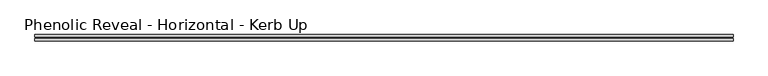
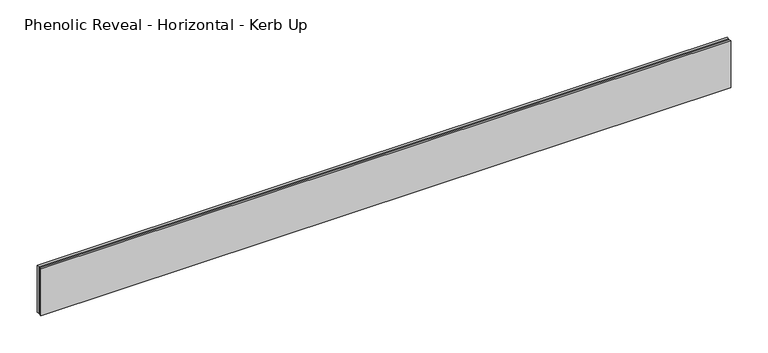
"""IFC4 building model written with IfcOpenShell, lengths in millimetres: proxy geometry, Phenolic Reveal - Horizontal - Kerb Up."""

import ifcopenshell
import ifcopenshell.guid

model = None  # the IFC model being written
_history = None  # IfcOwnerHistory: only IFC2X3 demands one
_inside = {}  # id of a spatial element -> (the spatial element, [elements in it])
_under = {}  # id of a project, library or spatial element -> (it, [spatial elements below it])
_declared = {}  # id of a project -> (the project, [libraries it declares])
_typed = {}  # id of a type object -> (the type object, [elements of that type])
_made_of = {}  # id of a material, layer set ... -> (it, [elements and type objects made of it])


def new_model(schema):
    """Start an empty IFC model of exactly this schema.

    Asked for "IFC4X3", IfcOpenShell would pick the latest addendum, in which some entities
    have other attributes; the version numbers below select the first issue.
    IFC2X3 requires an IfcOwnerHistory on every rooted entity: one is made here for all.
    """
    global model, _history
    if schema == "IFC4X3":
        model = ifcopenshell.file(schema_version=(4, 3, 0, 0))
    else:
        model = ifcopenshell.file(schema=schema)
    _inside.clear()
    _under.clear()
    _declared.clear()
    _typed.clear()
    _made_of.clear()
    _history = None
    if model.schema == "IFC2X3":
        org = make("IfcOrganization", Name="unknown")
        user = make(
            "IfcPersonAndOrganization",
            ThePerson=make("IfcPerson", FamilyName="unknown"),
            TheOrganization=org,
        )
        app = make(
            "IfcApplication",
            ApplicationDeveloper=org,
            Version="unknown",
            ApplicationFullName="unknown",
            ApplicationIdentifier="unknown",
        )
        _history = make(
            "IfcOwnerHistory",
            OwningUser=user,
            OwningApplication=app,
            ChangeAction="ADDED",
            CreationDate=0,
        )
    return model


def make(cls, **values):
    """One entity of the class cls with the attributes given. An attribute that is None is left unset."""
    return model.create_entity(
        cls, **{name: value for name, value in values.items() if value is not None}
    )


def rooted(cls, **values):
    """An entity with a GlobalId (a new one), such as an element, a storey or a relation."""
    return make(cls, GlobalId=ifcopenshell.guid.new(), OwnerHistory=_history, **values)


def si_unit(unit_type, name, prefix=None):
    """IfcSIUnit, for example si_unit("LENGTHUNIT", "METRE", prefix="MILLI")."""
    return make("IfcSIUnit", UnitType=unit_type, Prefix=prefix, Name=name)


def assignment(units):
    """IfcUnitAssignment: the units of a project."""
    return None if units is None else make("IfcUnitAssignment", Units=units)


def point(xyz):
    """IfcCartesianPoint."""
    return None if xyz is None else make("IfcCartesianPoint", Coordinates=xyz)


def direction(xyz):
    """IfcDirection."""
    return None if xyz is None else make("IfcDirection", DirectionRatios=xyz)


def frame(location, z_axis=None, x_axis=None):
    """IfcAxis2Placement3D, a coordinate frame: its origin and axes. An axis left out is left unset."""
    return make(
        "IfcAxis2Placement3D",
        Location=point(location),
        Axis=direction(z_axis),
        RefDirection=direction(x_axis),
    )


def origin():
    """The frame at (0, 0, 0) with its axes left unset."""
    return frame((0.0, 0.0, 0.0))


def place(relative_to, where):
    """IfcLocalPlacement: puts the frame where relative to a parent placement (None: the world)."""
    return make(
        "IfcLocalPlacement", PlacementRelTo=relative_to, RelativePlacement=where
    )


def context(
    kind, dimensions, precision=None, world=None, true_north=None, identifier=None
):
    """IfcGeometricRepresentationContext, for example the 3D "Model" context."""
    return make(
        "IfcGeometricRepresentationContext",
        ContextIdentifier=identifier,
        ContextType=kind,
        CoordinateSpaceDimension=dimensions,
        Precision=precision,
        WorldCoordinateSystem=world,
        TrueNorth=true_north,
    )


def project(units=None, contexts=None):
    """IfcProject with its units and contexts."""
    return rooted(
        "IfcProject",
        Name="project",
        RepresentationContexts=contexts,
        UnitsInContext=assignment(units),
    )


def spatial(cls, under=None, at=None, **own):
    """A site, building, storey or space (cls), placed at a placement, below another one or the project."""
    s = rooted(cls, ObjectPlacement=at, **own)
    if under is not None:
        _under.setdefault(under.id(), (under, []))[1].append(s)
    return s


def faces_of(points, faces, orient=None, outer=None):
    """IfcFace entities. A face is a list of loops; a loop is a list of indices into points, from 0.

    orient and outer hold one flag for each loop. By default every Orientation is true, the
    first loop of a face is its IfcFaceOuterBound and the others are IfcFaceBound.
    """
    made = []
    for i, loops in enumerate(faces):
        bounds = []
        for j, loop in enumerate(loops):
            is_outer = j == 0 if outer is None else outer[i][j]
            bounds.append(
                make(
                    "IfcFaceOuterBound" if is_outer else "IfcFaceBound",
                    Bound=make("IfcPolyLoop", Polygon=[points[k] for k in loop]),
                    Orientation=True if orient is None else orient[i][j],
                )
            )
        made.append(make("IfcFace", Bounds=bounds))
    return made


def faceted_brep(points, faces, orient=None, outer=None, voids=None):
    """IfcFacetedBrep: a solid bounded by flat faces; with voids (closed shells), ...WithVoids."""
    shared = [point(p) for p in points]
    hull = make("IfcClosedShell", CfsFaces=faces_of(shared, faces, orient, outer))
    if voids is None:
        return make("IfcFacetedBrep", Outer=hull)
    return make(
        "IfcFacetedBrepWithVoids",
        Outer=hull,
        Voids=[
            make(cls, CfsFaces=faces_of(shared, fs, o, b)) for cls, fs, o, b in voids
        ],
    )


def shape(context_of_items, identifier, shape_type, items):
    """IfcShapeRepresentation: the items that make up one representation, for example the "Body"."""
    return make(
        "IfcShapeRepresentation",
        ContextOfItems=context_of_items,
        RepresentationIdentifier=identifier,
        RepresentationType=shape_type,
        Items=items,
    )


def source(mapping_origin, context_of_items, identifier, shape_type, items):
    """IfcRepresentationMap: a shape defined once, which mapped items show again and again."""
    return make(
        "IfcRepresentationMap",
        MappingOrigin=mapping_origin,
        MappedRepresentation=shape(context_of_items, identifier, shape_type, items),
    )


def transform(
    local_origin,
    x_axis=None,
    y_axis=None,
    z_axis=None,
    scale=None,
    scale2=None,
    scale3=None,
    uniform=True,
):
    """IfcCartesianTransformationOperator3D, or its non-uniform kind. x_axis, y_axis, z_axis: its Axis1, 2, 3."""
    if uniform:
        return make(
            "IfcCartesianTransformationOperator3D",
            Axis1=direction(x_axis),
            Axis2=direction(y_axis),
            LocalOrigin=point(local_origin),
            Scale=scale,
            Axis3=direction(z_axis),
        )
    return make(
        "IfcCartesianTransformationOperator3DnonUniform",
        Axis1=direction(x_axis),
        Axis2=direction(y_axis),
        LocalOrigin=point(local_origin),
        Scale=scale,
        Axis3=direction(z_axis),
        Scale2=scale2,
        Scale3=scale3,
    )


def mapped(mapping_source, mapping_target):
    """IfcMappedItem: shows the shape of a source again, moved by a transform."""
    return make(
        "IfcMappedItem", MappingSource=mapping_source, MappingTarget=mapping_target
    )


def made_of(thing, what):
    """Note that an element or type object is made of a material, layer set ...; save() writes the relation."""
    if what is not None:
        _made_of.setdefault(what.id(), (what, []))[1].append(thing)
    return thing


def element(
    cls,
    number,
    at=None,
    inside=None,
    cuts=None,
    type_object=None,
    material=None,
    context=None,
    identifier="Body",
    shape_type=None,
    held_by="IfcProductDefinitionShape",
    body=None,
    shapes=None,
    **own,
):
    """One element of the class cls, such as IfcWall. Its Tag is "e" and its number.

    at: its placement. inside: the storey or other place that contains it. cuts: it is an
    opening in that element (IfcRelVoidsElement). A single representation is given by context,
    identifier, shape_type and body (its items); several are given by shapes. held_by: the class
    of the entity that holds the representations. save() writes the other relations.
    """
    e = rooted(cls, Tag="e%d" % number, ObjectPlacement=at, **own)
    if body is not None:
        shapes = [shape(context, identifier, shape_type, body)]
    if shapes is not None:
        e.Representation = make(held_by, Representations=shapes)
    if inside is not None:
        _inside.setdefault(inside.id(), (inside, []))[1].append(e)
    if cuts is not None:
        rooted(
            "IfcRelVoidsElement", RelatingBuildingElement=cuts, RelatedOpeningElement=e
        )
    if type_object is not None:
        _typed.setdefault(type_object.id(), (type_object, []))[1].append(e)
    return made_of(e, material)


def aggregate(whole, parts):
    """IfcRelAggregates: a whole, such as a stair, and the parts it consists of."""
    return rooted("IfcRelAggregates", RelatingObject=whole, RelatedObjects=parts)


def save(model, path):
    """Write the relations noted so far, then the file.

    IfcRelAggregates (storeys below a building ...), IfcRelContainedInSpatialStructure (elements
    in a storey), IfcRelDefinesByType, IfcRelAssociatesMaterial and IfcRelDeclares: one each for
    every whole, place, type object, material and project.
    """
    for whole, parts in _under.values():
        aggregate(whole, parts)
    for where, things in _inside.values():
        rooted(
            "IfcRelContainedInSpatialStructure",
            RelatedElements=things,
            RelatingStructure=where,
        )
    for kind, things in _typed.values():
        rooted("IfcRelDefinesByType", RelatedObjects=things, RelatingType=kind)
    for what, things in _made_of.values():
        rooted("IfcRelAssociatesMaterial", RelatedObjects=things, RelatingMaterial=what)
    for by, libraries in _declared.values():
        rooted("IfcRelDeclares", RelatingContext=by, RelatedDefinitions=libraries)
    model.write(path)


def phenolic_reveal_horizontal_kerb_up_faa1e677(model_context):
    return source(origin(), model_context, "Body", "Brep", [
        faceted_brep([(1063.625, 9.525, 0.0), (1063.625, 9.525, 76.2), (1063.625, 6.0765851, 76.2), (1063.625, 6.0765851, 0.0), (1063.625, 3.3757545, 0.0), (1063.625, 3.3757545, 76.2), (1063.625, 0.0, 76.2), (1063.625, 0.0, 0.0), (0.0, 0.0, 0.0), (0.0, 0.0, 76.2), (0.0, 3.3757545, 76.2), (0.0, 3.3757545, 0.0), (0.0, 6.0765851, 0.0), (0.0, 6.0765851, 76.2), (0.0, 9.525, 76.2), (0.0, 9.525, 0.0), (1052.5125, 6.0765851, 0.0), (1052.5125, 3.3757545, 0.0), (11.1125, 3.3757545, 0.0), (11.1125, 6.0765851, 0.0), (1052.5125, 6.0765851, 65.0875), (1052.5125, 3.3757545, 65.0875), (11.1125, 6.0765851, 65.0875), (11.1125, 3.3757545, 65.0875)], [[[0, 1, 2, 3]], [[4, 5, 6, 7]], [[8, 9, 10, 11]], [[12, 13, 14, 15]], [[1, 0, 15, 14]], [[6, 5, 10, 9]], [[7, 6, 9, 8]], [[15, 0, 3, 16, 17, 4, 7, 8, 11, 18, 19, 12]], [[16, 20, 21, 17]], [[22, 19, 18, 23]], [[13, 2, 1, 14]], [[12, 19, 22, 20, 16, 3, 2, 13]], [[20, 22, 23, 21]], [[4, 17, 21, 23, 18, 11, 10, 5]]]),
    ])


if __name__ == "__main__":
    model = new_model("IFC4")
    model_context = context("Model", 3, world=origin())
    ifc_project = project(units=[si_unit("LENGTHUNIT", "METRE", prefix="MILLI")], contexts=[model_context])
    site = spatial("IfcSite", under=ifc_project)
    building = spatial("IfcBuilding", under=site)
    placement = place(None, origin())
    phenolic_reveal_horizontal_kerb_up_shape = phenolic_reveal_horizontal_kerb_up_faa1e677(model_context)
    element("IfcBuildingElementProxy", 1, Name="Phenolic Reveal - Horizontal - Kerb Up", ObjectType="Phenolic Reveal - Horizontal - Kerb Up", at=placement, inside=building, context=model_context, shape_type="MappedRepresentation", body=[
        mapped(phenolic_reveal_horizontal_kerb_up_shape, transform((0.0, 0.0, 0.0), x_axis=(1.0, 0.0, 0.0), y_axis=(0.0, 1.0, 0.0), z_axis=(0.0, 0.0, 1.0))),
    ])
    save(model, "model.ifc")
